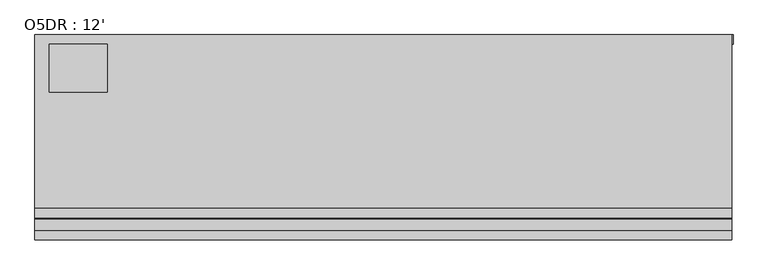
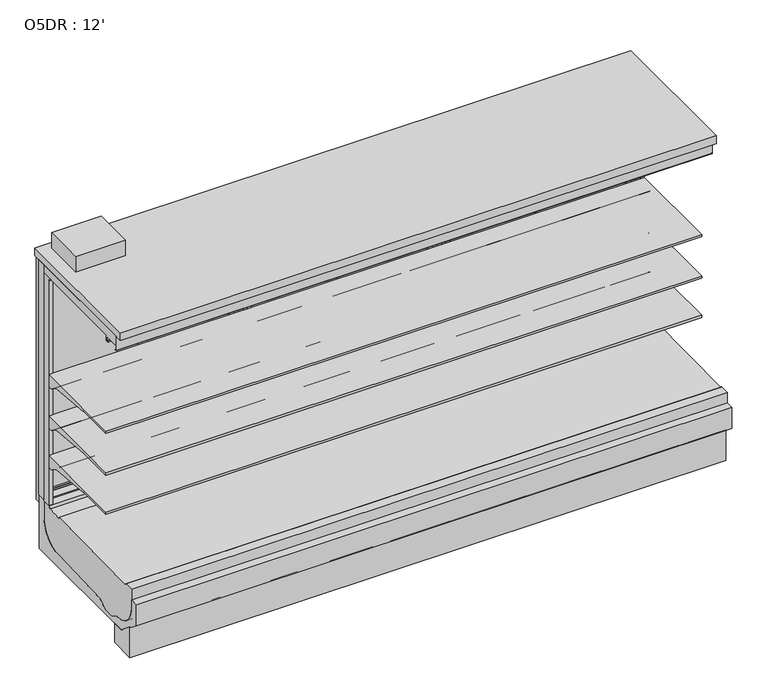
"""IFC4 building model written with IfcOpenShell, lengths in millimetres: proxy geometry, O5DR : 12'."""

from ifc_helpers import new_model, si_unit, point, frame, frame_2d, origin, place, context, project, spatial, polyline, circle_curve, trimmed, segment, composite_curve, outline, extrude, faceted_brep, source, transform, mapped, element, save
from ifc_brep_helpers import plane_surface, cylinder_surface, revolved_surface, advanced_brep


def o5dr_12_2de368f0(model_context):
    return source(origin(), model_context, "Body", "SolidModel", [
        extrude(outline(polyline([(3657.6, -401.5089273), (3657.6, -451.7851762), (3632.2, -451.7851762), (3632.2, -401.5089273), (3657.6, -401.5089273)])), frame((0.0, 0.0, 478.049844), z_axis=(0.0, 0.0, 1.0), x_axis=(1.0, 0.0, 0.0)), (0.0, 0.0, 1.0), 1525.5410642),
        advanced_brep(
        [(3657.6, -451.7851762, 468.8781737), (3657.6, -451.7851762, 1949.6779319), (3657.6, -530.2144075, 1949.6779319), (3657.6, -504.9331995, 1926.7316344), (3657.6, -504.9331995, 468.8781737), (3632.2, -451.7851762, 468.8781737), (3632.2, -504.9331995, 468.8781737), (3632.2, -504.9331995, 1926.7316344), (3632.2, -530.2144075, 1949.6779595), (3632.2, -451.7851762, 1949.6779319)],
        [
            (0, 1),
            (1, 2),
            (2, 3, circle_curve(frame((3657.6, -530.2144075, 1924.2779595), z_axis=(-1.0, 0.0, 0.0), x_axis=(0.0, 1.0, 0.0)), 25.4)),
            (3, 4),
            (4, 0),
            (5, 6),
            (6, 7),
            (7, 8, circle_curve(frame((3632.2, -530.2144075, 1924.2779595), z_axis=(1.0, 0.0, 0.0), x_axis=(0.0, 1.0, 0.0)), 25.4)),
            (8, 9),
            (9, 5),
            (0, 5),
            (9, 1),
            (8, 2),
            (7, 3),
            (6, 4),
        ],
        [
            plane_surface(frame((3657.6, -451.7851762, 1697.7360001), z_axis=(1.0, 0.0, 0.0), x_axis=(0.0, 0.0, 1.0))),
            plane_surface(frame((3632.2, -451.7851762, 1697.7360001), z_axis=(-1.0, 0.0, 0.0), x_axis=(0.0, 0.0, -1.0))),
            plane_surface(frame((3657.6, -451.7851762, 468.8781737), z_axis=(0.0, 1.0, 0.0), x_axis=(-1.0, 0.0, 0.0))),
            plane_surface(frame((3657.6, -451.7851762, 1949.6779319), z_axis=(0.0, 0.0, 1.0), x_axis=(-1.0, 0.0, 0.0))),
            revolved_surface(polyline([(3632.2, -504.8144075, 1924.2779595), (3657.6, -504.8144075, 1924.2779595)]), (3632.2, -530.2144075, 1924.2779595), (-1.0, 0.0, 0.0)),
            plane_surface(frame((3657.6, -504.9331995, 1926.7316344), z_axis=(0.0, -1.0, 0.0), x_axis=(-1.0, 0.0, 0.0))),
            plane_surface(frame((3657.6, -504.9331995, 468.8781737), z_axis=(0.0, 0.0, -1.0), x_axis=(-1.0, 0.0, 0.0))),
        ],
        [
            (0, [[1, 2, 3, 4, 5]]),
            (1, [[6, 7, 8, 9, 10]]),
            (2, [[-1, 11, -10, 12]]),
            (3, [[-2, -12, -9, 13]]),
            (4, [[-3, -13, -8, 14]]),
            (5, [[-4, -14, -7, 15]]),
            (6, [[-5, -15, -6, -11]]),
        ],
    ),
        extrude(outline(polyline([(2463.8, -401.5089273), (2463.8, -451.7851762), (2438.4, -451.7851762), (2438.4, -401.5089273), (2463.8, -401.5089273)])), frame((0.0, 0.0, 478.049844), z_axis=(0.0, 0.0, 1.0), x_axis=(1.0, 0.0, 0.0)), (0.0, 0.0, 1.0), 1525.5410642),
        advanced_brep(
        [(2463.8, -451.7851762, 468.8781737), (2463.8, -451.7851762, 1949.6779319), (2463.8, -530.2144075, 1949.6779319), (2463.8, -504.9331995, 1926.7316344), (2463.8, -504.9331995, 468.8781737), (2438.4, -451.7851762, 468.8781737), (2438.4, -504.9331995, 468.8781737), (2438.4, -504.9331995, 1926.7316344), (2438.4, -530.2144075, 1949.6779595), (2438.4, -451.7851762, 1949.6779319)],
        [
            (0, 1),
            (1, 2),
            (2, 3, circle_curve(frame((2463.8, -530.2144075, 1924.2779595), z_axis=(-1.0, 0.0, 0.0), x_axis=(0.0, 1.0, 0.0)), 25.4)),
            (3, 4),
            (4, 0),
            (5, 6),
            (6, 7),
            (7, 8, circle_curve(frame((2438.4, -530.2144075, 1924.2779595), z_axis=(1.0, 0.0, 0.0), x_axis=(0.0, 1.0, 0.0)), 25.4)),
            (8, 9),
            (9, 5),
            (0, 5),
            (9, 1),
            (8, 2),
            (7, 3),
            (6, 4),
        ],
        [
            plane_surface(frame((2463.8, -451.7851762, 1697.7360001), z_axis=(1.0, 0.0, 0.0), x_axis=(0.0, 0.0, 1.0))),
            plane_surface(frame((2438.4, -451.7851762, 1697.7360001), z_axis=(-1.0, 0.0, 0.0), x_axis=(0.0, 0.0, -1.0))),
            plane_surface(frame((2463.8, -451.7851762, 468.8781737), z_axis=(0.0, 1.0, 0.0), x_axis=(-1.0, 0.0, 0.0))),
            plane_surface(frame((2463.8, -451.7851762, 1949.6779319), z_axis=(0.0, 0.0, 1.0), x_axis=(-1.0, 0.0, 0.0))),
            revolved_surface(polyline([(2438.4, -504.8144075, 1924.2779595), (2463.8, -504.8144075, 1924.2779595)]), (2438.4, -530.2144075, 1924.2779595), (-1.0, 0.0, 0.0)),
            plane_surface(frame((2463.8, -504.9331995, 1926.7316344), z_axis=(0.0, -1.0, 0.0), x_axis=(-1.0, 0.0, 0.0))),
            plane_surface(frame((2463.8, -504.9331995, 468.8781737), z_axis=(0.0, 0.0, -1.0), x_axis=(-1.0, 0.0, 0.0))),
        ],
        [
            (0, [[1, 2, 3, 4, 5]]),
            (1, [[6, 7, 8, 9, 10]]),
            (2, [[-1, 11, -10, 12]]),
            (3, [[-2, -12, -9, 13]]),
            (4, [[-3, -13, -8, 14]]),
            (5, [[-4, -14, -7, 15]]),
            (6, [[-5, -15, -6, -11]]),
        ],
    ),
        faceted_brep([(3602.8493285, -397.299623, 480.0108915), (3602.8493285, -406.3155239, 480.0108915), (3602.8493285, -406.3155239, 1941.0151593), (3602.8493285, -397.299623, 1941.0151593), (3612.13244, -389.8622988, 470.72778), (3612.13244, -397.299623, 470.72778), (3612.13244, -397.299623, 1950.2982708), (3612.13244, -389.8622988, 1950.2982708), (3602.8493285, -379.3369472, 480.0108915), (3602.8493285, -389.8622988, 480.0108915), (3602.8493285, -389.8622988, 1941.0151593), (3602.8493285, -379.3369472, 1941.0151593), (3612.13244, -371.899623, 470.72778), (3612.13244, -379.3369472, 470.72778), (3612.13244, -379.3369472, 1950.2982708), (3612.13244, -371.899623, 1950.2982708), (3602.8493285, -358.5508239, 480.0108915), (3602.8493285, -371.899623, 480.0108915), (3602.8493285, -371.899623, 1941.0151593), (3602.8493285, -358.5508239, 1941.0151593), (3664.6089133, -406.3155239, 418.2513067), (3664.6089133, -358.5508239, 418.2513067), (3664.6089133, -358.5508239, 2002.7747442), (3664.6089133, -406.3155239, 2002.7747442), (2507.1684982, -406.3155239, 1941.0151593), (2507.1684982, -397.299623, 1941.0151593), (2497.8853867, -397.299623, 1950.2982708), (2497.8853867, -389.8622988, 1950.2982708), (2507.1684982, -389.8622988, 1941.0151593), (2507.1684982, -379.3369472, 1941.0151593), (2497.8853867, -379.3369472, 1950.2982708), (2497.8853867, -371.899623, 1950.2982708), (2507.1684982, -371.899623, 1941.0151593), (2507.1684982, -358.5508239, 1941.0151593), (2445.4089133, -358.5508239, 2002.7747442), (2445.4089133, -406.3155239, 2002.7747442), (2507.1684982, -406.3155239, 480.0108915), (2507.1684982, -397.299623, 480.0108915), (2497.8853867, -397.299623, 470.72778), (2497.8853867, -389.8622988, 470.72778), (2507.1684982, -389.8622988, 480.0108915), (2507.1684982, -379.3369472, 480.0108915), (2497.8853867, -379.3369472, 470.72778), (2497.8853867, -371.899623, 470.72778), (2507.1684982, -371.899623, 480.0108915), (2507.1684982, -358.5508239, 480.0108915), (2445.4089133, -358.5508239, 418.2513067), (2445.4089133, -406.3155239, 418.2513067)], [[[0, 1, 2, 3]], [[4, 5, 6, 7]], [[8, 9, 10, 11]], [[12, 13, 14, 15]], [[16, 17, 18, 19]], [[20, 21, 22, 23]], [[3, 2, 24, 25]], [[7, 6, 26, 27]], [[11, 10, 28, 29]], [[15, 14, 30, 31]], [[19, 18, 32, 33]], [[23, 22, 34, 35]], [[25, 24, 36, 37]], [[27, 26, 38, 39]], [[29, 28, 40, 41]], [[31, 30, 42, 43]], [[33, 32, 44, 45]], [[35, 34, 46, 47]], [[23, 35, 47, 20], [1, 36, 24, 2]], [[37, 36, 1, 0]], [[5, 38, 26, 6], [3, 25, 37, 0]], [[39, 38, 5, 4]], [[7, 27, 39, 4], [9, 40, 28, 10]], [[41, 40, 9, 8]], [[13, 42, 30, 14], [11, 29, 41, 8]], [[43, 42, 13, 12]], [[15, 31, 43, 12], [17, 44, 32, 18]], [[45, 44, 17, 16]], [[21, 46, 34, 22], [19, 33, 45, 16]], [[47, 46, 21, 20]]]),
        extrude(outline(polyline([(3611.1898618, -389.8622988), (3611.1898618, -397.299623), (3051.8339133, -397.299623), (3051.8339133, -389.8622988), (3611.1898618, -389.8622988)])), frame((0.0, 0.0, 470.72778), z_axis=(0.0, 0.0, 1.0), x_axis=(1.0, 0.0, 0.0)), (0.0, 0.0, 1.0), 1479.5704908),
        extrude(outline(polyline([(3058.1839133, -371.899623), (3058.1839133, -379.3369472), (2498.8279648, -379.3369472), (2498.8279648, -371.899623), (3058.1839133, -371.899623)])), frame((0.0, 0.0, 470.72778), z_axis=(0.0, 0.0, 1.0), x_axis=(1.0, 0.0, 0.0)), (0.0, 0.0, 1.0), 1479.5704908),
        extrude(outline(polyline([(381.0, -406.3155239), (381.0, -660.3155239), (76.2, -660.3155239), (76.2, -406.3155239), (381.0, -406.3155239)])), frame((0.0, 0.0, 2052.9777313), z_axis=(0.0, 0.0, 1.0), x_axis=(1.0, 0.0, 0.0)), (0.0, 0.0, 1.0), 101.6),
        extrude(outline(polyline([(2438.4, -401.5089273), (2438.4, -451.7851762), (2413.0, -451.7851762), (2413.0, -401.5089273), (2438.4, -401.5089273)])), frame((0.0, 0.0, 478.049844), z_axis=(0.0, 0.0, 1.0), x_axis=(1.0, 0.0, 0.0)), (0.0, 0.0, 1.0), 1525.5410642),
        advanced_brep(
        [(2438.4, -451.7851762, 468.8781737), (2438.4, -451.7851762, 1949.6779319), (2438.4, -530.2144075, 1949.6779319), (2438.4, -504.9331995, 1926.7316344), (2438.4, -504.9331995, 468.8781737), (2413.0, -451.7851762, 468.8781737), (2413.0, -504.9331995, 468.8781737), (2413.0, -504.9331995, 1926.7316344), (2413.0, -530.2144075, 1949.6779595), (2413.0, -451.7851762, 1949.6779319)],
        [
            (0, 1),
            (1, 2),
            (2, 3, circle_curve(frame((2438.4, -530.2144075, 1924.2779595), z_axis=(-1.0, 0.0, 0.0), x_axis=(0.0, 1.0, 0.0)), 25.4)),
            (3, 4),
            (4, 0),
            (5, 6),
            (6, 7),
            (7, 8, circle_curve(frame((2413.0, -530.2144075, 1924.2779595), z_axis=(1.0, 0.0, 0.0), x_axis=(0.0, 1.0, 0.0)), 25.4)),
            (8, 9),
            (9, 5),
            (0, 5),
            (9, 1),
            (8, 2),
            (7, 3),
            (6, 4),
        ],
        [
            plane_surface(frame((2438.4, -451.7851762, 1697.7360001), z_axis=(1.0, 0.0, 0.0), x_axis=(0.0, 0.0, 1.0))),
            plane_surface(frame((2413.0, -451.7851762, 1697.7360001), z_axis=(-1.0, 0.0, 0.0), x_axis=(0.0, 0.0, -1.0))),
            plane_surface(frame((2438.4, -451.7851762, 468.8781737), z_axis=(0.0, 1.0, 0.0), x_axis=(-1.0, 0.0, 0.0))),
            plane_surface(frame((2438.4, -451.7851762, 1949.6779319), z_axis=(0.0, 0.0, 1.0), x_axis=(-1.0, 0.0, 0.0))),
            revolved_surface(polyline([(2413.0, -504.8144075, 1924.2779595), (2438.4, -504.8144075, 1924.2779595)]), (2413.0, -530.2144075, 1924.2779595), (-1.0, 0.0, 0.0)),
            plane_surface(frame((2438.4, -504.9331995, 1926.7316344), z_axis=(0.0, -1.0, 0.0), x_axis=(-1.0, 0.0, 0.0))),
            plane_surface(frame((2438.4, -504.9331995, 468.8781737), z_axis=(0.0, 0.0, -1.0), x_axis=(-1.0, 0.0, 0.0))),
        ],
        [
            (0, [[1, 2, 3, 4, 5]]),
            (1, [[6, 7, 8, 9, 10]]),
            (2, [[-1, 11, -10, 12]]),
            (3, [[-2, -12, -9, 13]]),
            (4, [[-3, -13, -8, 14]]),
            (5, [[-4, -14, -7, 15]]),
            (6, [[-5, -15, -6, -11]]),
        ],
    ),
        extrude(outline(polyline([(1244.6, -401.5089273), (1244.6, -451.7851762), (1219.2, -451.7851762), (1219.2, -401.5089273), (1244.6, -401.5089273)])), frame((0.0, 0.0, 478.049844), z_axis=(0.0, 0.0, 1.0), x_axis=(1.0, 0.0, 0.0)), (0.0, 0.0, 1.0), 1525.5410642),
        advanced_brep(
        [(1244.6, -451.7851762, 468.8781737), (1244.6, -451.7851762, 1949.6779319), (1244.6, -530.2144075, 1949.6779319), (1244.6, -504.9331995, 1926.7316344), (1244.6, -504.9331995, 468.8781737), (1219.2, -451.7851762, 468.8781737), (1219.2, -504.9331995, 468.8781737), (1219.2, -504.9331995, 1926.7316344), (1219.2, -530.2144075, 1949.6779595), (1219.2, -451.7851762, 1949.6779319)],
        [
            (0, 1),
            (1, 2),
            (2, 3, circle_curve(frame((1244.6, -530.2144075, 1924.2779595), z_axis=(-1.0, 0.0, 0.0), x_axis=(0.0, 1.0, 0.0)), 25.4)),
            (3, 4),
            (4, 0),
            (5, 6),
            (6, 7),
            (7, 8, circle_curve(frame((1219.2, -530.2144075, 1924.2779595), z_axis=(1.0, 0.0, 0.0), x_axis=(0.0, 1.0, 0.0)), 25.4)),
            (8, 9),
            (9, 5),
            (0, 5),
            (9, 1),
            (8, 2),
            (7, 3),
            (6, 4),
        ],
        [
            plane_surface(frame((1244.6, -451.7851762, 1697.7360001), z_axis=(1.0, 0.0, 0.0), x_axis=(0.0, 0.0, 1.0))),
            plane_surface(frame((1219.2, -451.7851762, 1697.7360001), z_axis=(-1.0, 0.0, 0.0), x_axis=(0.0, 0.0, -1.0))),
            plane_surface(frame((1244.6, -451.7851762, 468.8781737), z_axis=(0.0, 1.0, 0.0), x_axis=(-1.0, 0.0, 0.0))),
            plane_surface(frame((1244.6, -451.7851762, 1949.6779319), z_axis=(0.0, 0.0, 1.0), x_axis=(-1.0, 0.0, 0.0))),
            revolved_surface(polyline([(1219.2, -504.8144075, 1924.2779595), (1244.6, -504.8144075, 1924.2779595)]), (1219.2, -530.2144075, 1924.2779595), (-1.0, 0.0, 0.0)),
            plane_surface(frame((1244.6, -504.9331995, 1926.7316344), z_axis=(0.0, -1.0, 0.0), x_axis=(-1.0, 0.0, 0.0))),
            plane_surface(frame((1244.6, -504.9331995, 468.8781737), z_axis=(0.0, 0.0, -1.0), x_axis=(-1.0, 0.0, 0.0))),
        ],
        [
            (0, [[1, 2, 3, 4, 5]]),
            (1, [[6, 7, 8, 9, 10]]),
            (2, [[-1, 11, -10, 12]]),
            (3, [[-2, -12, -9, 13]]),
            (4, [[-3, -13, -8, 14]]),
            (5, [[-4, -14, -7, 15]]),
            (6, [[-5, -15, -6, -11]]),
        ],
    ),
        extrude(outline(polyline([(1219.2, -401.5089273), (1219.2, -451.7851762), (1193.8, -451.7851762), (1193.8, -401.5089273), (1219.2, -401.5089273)])), frame((0.0, 0.0, 478.049844), z_axis=(0.0, 0.0, 1.0), x_axis=(1.0, 0.0, 0.0)), (0.0, 0.0, 1.0), 1525.5410642),
        advanced_brep(
        [(1219.2, -451.7851762, 468.8781737), (1219.2, -451.7851762, 1949.6779319), (1219.2, -530.2144075, 1949.6779319), (1219.2, -504.9331995, 1926.7316344), (1219.2, -504.9331995, 468.8781737), (1193.8, -451.7851762, 468.8781737), (1193.8, -504.9331995, 468.8781737), (1193.8, -504.9331995, 1926.7316344), (1193.8, -530.2144075, 1949.6779595), (1193.8, -451.7851762, 1949.6779319)],
        [
            (0, 1),
            (1, 2),
            (2, 3, circle_curve(frame((1219.2, -530.2144075, 1924.2779595), z_axis=(-1.0, 0.0, 0.0), x_axis=(0.0, 1.0, 0.0)), 25.4)),
            (3, 4),
            (4, 0),
            (5, 6),
            (6, 7),
            (7, 8, circle_curve(frame((1193.8, -530.2144075, 1924.2779595), z_axis=(1.0, 0.0, 0.0), x_axis=(0.0, 1.0, 0.0)), 25.4)),
            (8, 9),
            (9, 5),
            (0, 5),
            (9, 1),
            (8, 2),
            (7, 3),
            (6, 4),
        ],
        [
            plane_surface(frame((1219.2, -451.7851762, 1697.7360001), z_axis=(1.0, 0.0, 0.0), x_axis=(0.0, 0.0, 1.0))),
            plane_surface(frame((1193.8, -451.7851762, 1697.7360001), z_axis=(-1.0, 0.0, 0.0), x_axis=(0.0, 0.0, -1.0))),
            plane_surface(frame((1219.2, -451.7851762, 468.8781737), z_axis=(0.0, 1.0, 0.0), x_axis=(-1.0, 0.0, 0.0))),
            plane_surface(frame((1219.2, -451.7851762, 1949.6779319), z_axis=(0.0, 0.0, 1.0), x_axis=(-1.0, 0.0, 0.0))),
            revolved_surface(polyline([(1193.8, -504.8144075, 1924.2779595), (1219.2, -504.8144075, 1924.2779595)]), (1193.8, -530.2144075, 1924.2779595), (-1.0, 0.0, 0.0)),
            plane_surface(frame((1219.2, -504.9331995, 1926.7316344), z_axis=(0.0, -1.0, 0.0), x_axis=(-1.0, 0.0, 0.0))),
            plane_surface(frame((1219.2, -504.9331995, 468.8781737), z_axis=(0.0, 0.0, -1.0), x_axis=(-1.0, 0.0, 0.0))),
        ],
        [
            (0, [[1, 2, 3, 4, 5]]),
            (1, [[6, 7, 8, 9, 10]]),
            (2, [[-1, 11, -10, 12]]),
            (3, [[-2, -12, -9, 13]]),
            (4, [[-3, -13, -8, 14]]),
            (5, [[-4, -14, -7, 15]]),
            (6, [[-5, -15, -6, -11]]),
        ],
    ),
        faceted_brep([(2383.6493285, -397.299623, 480.0108915), (2383.6493285, -406.3155239, 480.0108915), (2383.6493285, -406.3155239, 1941.0151593), (2383.6493285, -397.299623, 1941.0151593), (2392.93244, -389.8622988, 470.72778), (2392.93244, -397.299623, 470.72778), (2392.93244, -397.299623, 1950.2982708), (2392.93244, -389.8622988, 1950.2982708), (2383.6493285, -379.3369472, 480.0108915), (2383.6493285, -389.8622988, 480.0108915), (2383.6493285, -389.8622988, 1941.0151593), (2383.6493285, -379.3369472, 1941.0151593), (2392.93244, -371.899623, 470.72778), (2392.93244, -379.3369472, 470.72778), (2392.93244, -379.3369472, 1950.2982708), (2392.93244, -371.899623, 1950.2982708), (2383.6493285, -358.5508239, 480.0108915), (2383.6493285, -371.899623, 480.0108915), (2383.6493285, -371.899623, 1941.0151593), (2383.6493285, -358.5508239, 1941.0151593), (2445.4089133, -406.3155239, 418.2513067), (2445.4089133, -358.5508239, 418.2513067), (2445.4089133, -358.5508239, 2002.7747442), (2445.4089133, -406.3155239, 2002.7747442), (1287.9684982, -406.3155239, 1941.0151593), (1287.9684982, -397.299623, 1941.0151593), (1278.6853867, -397.299623, 1950.2982708), (1278.6853867, -389.8622988, 1950.2982708), (1287.9684982, -389.8622988, 1941.0151593), (1287.9684982, -379.3369472, 1941.0151593), (1278.6853867, -379.3369472, 1950.2982708), (1278.6853867, -371.899623, 1950.2982708), (1287.9684982, -371.899623, 1941.0151593), (1287.9684982, -358.5508239, 1941.0151593), (1226.2089133, -358.5508239, 2002.7747442), (1226.2089133, -406.3155239, 2002.7747442), (1287.9684982, -406.3155239, 480.0108915), (1287.9684982, -397.299623, 480.0108915), (1278.6853867, -397.299623, 470.72778), (1278.6853867, -389.8622988, 470.72778), (1287.9684982, -389.8622988, 480.0108915), (1287.9684982, -379.3369472, 480.0108915), (1278.6853867, -379.3369472, 470.72778), (1278.6853867, -371.899623, 470.72778), (1287.9684982, -371.899623, 480.0108915), (1287.9684982, -358.5508239, 480.0108915), (1226.2089133, -358.5508239, 418.2513067), (1226.2089133, -406.3155239, 418.2513067)], [[[0, 1, 2, 3]], [[4, 5, 6, 7]], [[8, 9, 10, 11]], [[12, 13, 14, 15]], [[16, 17, 18, 19]], [[20, 21, 22, 23]], [[3, 2, 24, 25]], [[7, 6, 26, 27]], [[11, 10, 28, 29]], [[15, 14, 30, 31]], [[19, 18, 32, 33]], [[23, 22, 34, 35]], [[25, 24, 36, 37]], [[27, 26, 38, 39]], [[29, 28, 40, 41]], [[31, 30, 42, 43]], [[33, 32, 44, 45]], [[35, 34, 46, 47]], [[23, 35, 47, 20], [1, 36, 24, 2]], [[37, 36, 1, 0]], [[5, 38, 26, 6], [3, 25, 37, 0]], [[39, 38, 5, 4]], [[7, 27, 39, 4], [9, 40, 28, 10]], [[41, 40, 9, 8]], [[13, 42, 30, 14], [11, 29, 41, 8]], [[43, 42, 13, 12]], [[15, 31, 43, 12], [17, 44, 32, 18]], [[45, 44, 17, 16]], [[21, 46, 34, 22], [19, 33, 45, 16]], [[47, 46, 21, 20]]]),
        extrude(outline(polyline([(2391.9898618, -389.8622988), (2391.9898618, -397.299623), (1832.6339133, -397.299623), (1832.6339133, -389.8622988), (2391.9898618, -389.8622988)])), frame((0.0, 0.0, 470.72778), z_axis=(0.0, 0.0, 1.0), x_axis=(1.0, 0.0, 0.0)), (0.0, 0.0, 1.0), 1479.5704908),
        extrude(outline(polyline([(1838.9839133, -371.899623), (1838.9839133, -379.3369472), (1279.6279648, -379.3369472), (1279.6279648, -371.899623), (1838.9839133, -371.899623)])), frame((0.0, 0.0, 470.72778), z_axis=(0.0, 0.0, 1.0), x_axis=(1.0, 0.0, 0.0)), (0.0, 0.0, 1.0), 1479.5704908),
        faceted_brep([(1164.4493285, -397.299623, 480.0108915), (1164.4493285, -406.3155239, 480.0108915), (1164.4493285, -406.3155239, 1941.0151593), (1164.4493285, -397.299623, 1941.0151593), (1173.73244, -389.8622988, 470.72778), (1173.73244, -397.299623, 470.72778), (1173.73244, -397.299623, 1950.2982708), (1173.73244, -389.8622988, 1950.2982708), (1164.4493285, -379.3369472, 480.0108915), (1164.4493285, -389.8622988, 480.0108915), (1164.4493285, -389.8622988, 1941.0151593), (1164.4493285, -379.3369472, 1941.0151593), (1173.73244, -371.899623, 470.72778), (1173.73244, -379.3369472, 470.72778), (1173.73244, -379.3369472, 1950.2982708), (1173.73244, -371.899623, 1950.2982708), (1164.4493285, -358.5508239, 480.0108915), (1164.4493285, -371.899623, 480.0108915), (1164.4493285, -371.899623, 1941.0151593), (1164.4493285, -358.5508239, 1941.0151593), (1226.2089133, -406.3155239, 418.2513067), (1226.2089133, -358.5508239, 418.2513067), (1226.2089133, -358.5508239, 2002.7747442), (1226.2089133, -406.3155239, 2002.7747442), (68.7684982, -406.3155239, 1941.0151593), (68.7684982, -397.299623, 1941.0151593), (59.4853867, -397.299623, 1950.2982708), (59.4853867, -389.8622988, 1950.2982708), (68.7684982, -389.8622988, 1941.0151593), (68.7684982, -379.3369472, 1941.0151593), (59.4853867, -379.3369472, 1950.2982708), (59.4853867, -371.899623, 1950.2982708), (68.7684982, -371.899623, 1941.0151593), (68.7684982, -358.5508239, 1941.0151593), (7.0089133, -358.5508239, 2002.7747442), (7.0089133, -406.3155239, 2002.7747442), (68.7684982, -406.3155239, 480.0108915), (68.7684982, -397.299623, 480.0108915), (59.4853867, -397.299623, 470.72778), (59.4853867, -389.8622988, 470.72778), (68.7684982, -389.8622988, 480.0108915), (68.7684982, -379.3369472, 480.0108915), (59.4853867, -379.3369472, 470.72778), (59.4853867, -371.899623, 470.72778), (68.7684982, -371.899623, 480.0108915), (68.7684982, -358.5508239, 480.0108915), (7.0089133, -358.5508239, 418.2513067), (7.0089133, -406.3155239, 418.2513067)], [[[0, 1, 2, 3]], [[4, 5, 6, 7]], [[8, 9, 10, 11]], [[12, 13, 14, 15]], [[16, 17, 18, 19]], [[20, 21, 22, 23]], [[3, 2, 24, 25]], [[7, 6, 26, 27]], [[11, 10, 28, 29]], [[15, 14, 30, 31]], [[19, 18, 32, 33]], [[23, 22, 34, 35]], [[25, 24, 36, 37]], [[27, 26, 38, 39]], [[29, 28, 40, 41]], [[31, 30, 42, 43]], [[33, 32, 44, 45]], [[35, 34, 46, 47]], [[23, 35, 47, 20], [1, 36, 24, 2]], [[37, 36, 1, 0]], [[5, 38, 26, 6], [3, 25, 37, 0]], [[39, 38, 5, 4]], [[7, 27, 39, 4], [9, 40, 28, 10]], [[41, 40, 9, 8]], [[13, 42, 30, 14], [11, 29, 41, 8]], [[43, 42, 13, 12]], [[15, 31, 43, 12], [17, 44, 32, 18]], [[45, 44, 17, 16]], [[21, 46, 34, 22], [19, 33, 45, 16]], [[47, 46, 21, 20]]]),
        extrude(outline(polyline([(1172.7898618, -389.8622988), (1172.7898618, -397.299623), (613.4339133, -397.299623), (613.4339133, -389.8622988), (1172.7898618, -389.8622988)])), frame((0.0, 0.0, 470.72778), z_axis=(0.0, 0.0, 1.0), x_axis=(1.0, 0.0, 0.0)), (0.0, 0.0, 1.0), 1479.5704908),
        extrude(outline(polyline([(619.7839133, -371.899623), (619.7839133, -379.3369472), (60.4279648, -379.3369472), (60.4279648, -371.899623), (619.7839133, -371.899623)])), frame((0.0, 0.0, 470.72778), z_axis=(0.0, 0.0, 1.0), x_axis=(1.0, 0.0, 0.0)), (0.0, 0.0, 1.0), 1479.5704908),
        extrude(outline(polyline([(25.4, -401.5089273), (25.4, -451.7851762), (0.0, -451.7851762), (0.0, -401.5089273), (25.4, -401.5089273)])), frame((0.0, 0.0, 478.049844), z_axis=(0.0, 0.0, 1.0), x_axis=(1.0, 0.0, 0.0)), (0.0, 0.0, 1.0), 1525.5410642),
        advanced_brep(
        [(25.4, -451.7851762, 468.8781737), (25.4, -451.7851762, 1949.6779319), (25.4, -530.2144075, 1949.6779319), (25.4, -504.9331995, 1926.7316344), (25.4, -504.9331995, 468.8781737), (0.0, -451.7851762, 468.8781737), (0.0, -504.9331995, 468.8781737), (0.0, -504.9331995, 1926.7316344), (0.0, -530.2144075, 1949.6779595), (0.0, -451.7851762, 1949.6779319)],
        [
            (0, 1),
            (1, 2),
            (2, 3, circle_curve(frame((25.4, -530.2144075, 1924.2779595), z_axis=(-1.0, 0.0, 0.0), x_axis=(0.0, 1.0, 0.0)), 25.4)),
            (3, 4),
            (4, 0),
            (5, 6),
            (6, 7),
            (7, 8, circle_curve(frame((0.0, -530.2144075, 1924.2779595), z_axis=(1.0, 0.0, 0.0), x_axis=(0.0, 1.0, 0.0)), 25.4)),
            (8, 9),
            (9, 5),
            (0, 5),
            (9, 1),
            (8, 2),
            (7, 3),
            (6, 4),
        ],
        [
            plane_surface(frame((25.4, -451.7851762, 1697.7360001), z_axis=(1.0, 0.0, 0.0), x_axis=(0.0, 0.0, 1.0))),
            plane_surface(frame((0.0, -451.7851762, 1697.7360001), z_axis=(-1.0, 0.0, 0.0), x_axis=(0.0, 0.0, -1.0))),
            plane_surface(frame((25.4, -451.7851762, 468.8781737), z_axis=(0.0, 1.0, 0.0), x_axis=(-1.0, 0.0, 0.0))),
            plane_surface(frame((25.4, -451.7851762, 1949.6779319), z_axis=(0.0, 0.0, 1.0), x_axis=(-1.0, 0.0, 0.0))),
            revolved_surface(polyline([(0.0, -504.8144075, 1924.2779595), (25.4, -504.8144075, 1924.2779595)]), (0.0, -530.2144075, 1924.2779595), (-1.0, 0.0, 0.0)),
            plane_surface(frame((25.4, -504.9331995, 1926.7316344), z_axis=(0.0, -1.0, 0.0), x_axis=(-1.0, 0.0, 0.0))),
            plane_surface(frame((25.4, -504.9331995, 468.8781737), z_axis=(0.0, 0.0, -1.0), x_axis=(-1.0, 0.0, 0.0))),
        ],
        [
            (0, [[1, 2, 3, 4, 5]]),
            (1, [[6, 7, 8, 9, 10]]),
            (2, [[-1, 11, -10, 12]]),
            (3, [[-2, -12, -9, 13]]),
            (4, [[-3, -13, -8, 14]]),
            (5, [[-4, -14, -7, 15]]),
            (6, [[-5, -15, -6, -11]]),
        ],
    ),
        extrude(outline(composite_curve([segment(polyline([(-504.9331995, 794.189381), (-504.9331995, 719.0883547), (-528.313746, 719.0883547)]), True, "CONTINUOUS"), segment(trimmed(circle_curve(frame_2d((-528.7455821, 744.4846835)), 25.4), [point((-528.313746, 719.0883547))], [point((-544.7229383, 724.7392008))], False, "CARTESIAN"), True, "CONTINUOUS"), segment(polyline([(-544.7229383, 724.7392008), (-562.5749995, 739.1844663)]), True, "CONTINUOUS"), segment(trimmed(circle_curve(frame_2d((-602.5183901, 689.8207596)), 63.5), [point((-562.5749995, 739.1844663))], [point((-594.6205089, 752.8276915))], True, "CARTESIAN"), True, "CONTINUOUS"), segment(polyline([(-594.6205089, 752.8276915), (-872.3592482, 776.5248289), (-873.8480247, 779.965381), (-1114.5331995, 779.965381), (-1114.5331995, 794.189381), (-504.9331995, 794.189381)]), True, "CONTINUOUS")], self_intersect=False)), frame((0.0, 0.0, 0.0), z_axis=(1.0, 0.0, 0.0), x_axis=(0.0, 1.0, 0.0)), (0.0, 0.0, 1.0), 3657.6),
        extrude(outline(composite_curve([segment(polyline([(-504.9331995, 1049.544493), (-504.9331995, 974.4434667), (-528.313746, 974.4434667)]), True, "CONTINUOUS"), segment(trimmed(circle_curve(frame_2d((-528.7455821, 999.8397955)), 25.4), [point((-528.313746, 974.4434667))], [point((-544.7229383, 980.0943128))], False, "CARTESIAN"), True, "CONTINUOUS"), segment(polyline([(-544.7229383, 980.0943128), (-562.5749995, 994.5395783)]), True, "CONTINUOUS"), segment(trimmed(circle_curve(frame_2d((-602.5183901, 945.1758716)), 63.5), [point((-562.5749995, 994.5395783))], [point((-594.6205089, 1008.1828035))], True, "CARTESIAN"), True, "CONTINUOUS"), segment(polyline([(-594.6205089, 1008.1828035), (-872.3592482, 1031.8799409), (-873.8480247, 1035.320493), (-1114.5331995, 1035.320493), (-1114.5331995, 1049.544493), (-504.9331995, 1049.544493)]), True, "CONTINUOUS")], self_intersect=False)), frame((0.0, 0.0, 0.0), z_axis=(1.0, 0.0, 0.0), x_axis=(0.0, 1.0, 0.0)), (0.0, 0.0, 1.0), 3657.6),
        extrude(outline(composite_curve([segment(polyline([(-504.9331995, 1319.5585779), (-504.9331995, 1244.4575515), (-528.313746, 1244.4575515)]), True, "CONTINUOUS"), segment(trimmed(circle_curve(frame_2d((-528.7455821, 1269.8538803)), 25.4), [point((-528.313746, 1244.4575515))], [point((-544.7229383, 1250.1083976))], False, "CARTESIAN"), True, "CONTINUOUS"), segment(polyline([(-544.7229383, 1250.1083976), (-562.5749995, 1264.5536632)]), True, "CONTINUOUS"), segment(trimmed(circle_curve(frame_2d((-602.5183901, 1215.1899564)), 63.5), [point((-562.5749995, 1264.5536632))], [point((-594.6205089, 1278.1968884))], True, "CARTESIAN"), True, "CONTINUOUS"), segment(polyline([(-594.6205089, 1278.1968884), (-872.3592482, 1301.8940258), (-873.8480247, 1305.3345779), (-1114.5331995, 1305.3345779), (-1114.5331995, 1319.5585779), (-504.9331995, 1319.5585779)]), True, "CONTINUOUS")], self_intersect=False)), frame((0.0, 0.0, 0.0), z_axis=(1.0, 0.0, 0.0), x_axis=(0.0, 1.0, 0.0)), (0.0, 0.0, 1.0), 3657.6),
        extrude(outline(composite_curve([segment(trimmed(circle_curve(frame_2d((3455.3657013, -973.0089273)), 12.7), [point((3442.6657013, -973.0089273))], [point((3468.0657013, -973.0089273))], False, "CARTESIAN"), True, "CONTINUOUS"), segment(trimmed(circle_curve(frame_2d((3455.3657013, -973.0089273)), 12.7), [point((3468.0657013, -973.0089273))], [point((3442.6657013, -973.0089273))], False, "CARTESIAN"), True, "CONTINUOUS")], self_intersect=False)), frame((0.0, 0.0, 66.7090149), z_axis=(0.0, 0.0, 1.0), x_axis=(1.0, 0.0, 0.0)), (0.0, 0.0, 1.0), 63.4659851),
        extrude(outline(composite_curve([segment(trimmed(circle_curve(frame_2d((3409.5167543, -973.0089273)), 9.525), [point((3399.9917543, -973.0089273))], [point((3419.0417543, -973.0089273))], False, "CARTESIAN"), True, "CONTINUOUS"), segment(trimmed(circle_curve(frame_2d((3409.5167543, -973.0089273)), 9.525), [point((3419.0417543, -973.0089273))], [point((3399.9917543, -973.0089273))], False, "CARTESIAN"), True, "CONTINUOUS")], self_intersect=False)), frame((0.0, 0.0, 66.7090149), z_axis=(0.0, 0.0, 1.0), x_axis=(1.0, 0.0, 0.0)), (0.0, 0.0, 1.0), 63.4659851),
        extrude(outline(polyline([(711.2, -1351.5977782), (403.225, -1351.5977782), (403.225, -1254.3931624), (711.2, -1254.3931624), (711.2, -1351.5977782)])), frame((0.0, 0.0, 53.2186364), z_axis=(0.0, 0.0, 1.0), x_axis=(1.0, 0.0, 0.0)), (0.0, 0.0, 1.0), 9.8914),
        faceted_brep([(3657.6, -1207.9589273, 130.175), (3657.6, -1278.2580824, 130.175), (3657.6, -1369.8839273, 204.1509267), (3657.6, -1369.8839273, 5.6773468), (3657.6, -1207.9589273, 5.6773468), (0.0, -1207.9589273, 130.175), (0.0, -1207.9589273, 5.6773468), (0.0, -1369.8839273, 5.6773468), (0.0, -1369.8839273, 204.1509267), (0.0, -1278.2580824, 130.175), (711.2, -1351.5977782, 5.6773468), (711.2, -1254.3931624, 5.6773468), (403.225, -1254.3931624, 5.6773468), (403.225, -1351.5977782, 5.6773468), (711.2, -1351.5977782, 63.1100364), (403.225, -1351.5977782, 63.1100364), (403.225, -1254.3931624, 63.1100364), (711.2, -1254.3931624, 63.1100364)], [[[0, 1, 2, 3, 4]], [[5, 6, 7, 8, 9]], [[1, 0, 5, 9]], [[2, 1, 9, 8]], [[3, 2, 8, 7]], [[4, 3, 7, 6], [10, 11, 12, 13]], [[0, 4, 6, 5]], [[14, 15, 16, 17]], [[14, 17, 11, 10]], [[17, 16, 12, 11]], [[16, 15, 13, 12]], [[15, 14, 10, 13]]]),
        extrude(outline(composite_curve([segment(trimmed(circle_curve(frame_2d((339.6243296, 3578.0090336)), 12.7), [point((339.6243296, 3590.7090336))], [point((339.6243296, 3565.3090336))], False, "CARTESIAN"), True, "CONTINUOUS"), segment(trimmed(circle_curve(frame_2d((339.6243296, 3578.0090336)), 12.7), [point((339.6243296, 3565.3090336))], [point((339.6243296, 3590.7090336))], False, "CARTESIAN"), True, "CONTINUOUS")], self_intersect=False)), frame((0.0, -447.5561252, 0.0), z_axis=(0.0, 1.0, 0.0), x_axis=(0.0, 0.0, 1.0)), (0.0, 0.0, 1.0), 52.3971979),
        extrude(outline(composite_curve([segment(trimmed(circle_curve(frame_2d((339.6243296, 3539.5972115)), 9.525), [point((339.6243296, 3549.1222115))], [point((339.6243296, 3530.0722115))], False, "CARTESIAN"), True, "CONTINUOUS"), segment(trimmed(circle_curve(frame_2d((339.6243296, 3539.5972115)), 9.525), [point((339.6243296, 3530.0722115))], [point((339.6243296, 3549.1222115))], False, "CARTESIAN"), True, "CONTINUOUS")], self_intersect=False)), frame((0.0, -447.5561252, 0.0), z_axis=(0.0, 1.0, 0.0), x_axis=(0.0, 0.0, 1.0)), (0.0, 0.0, 1.0), 52.3971979),
        extrude(outline(composite_curve([segment(polyline([(-456.5917727, 2002.7747442), (-456.5917727, 1948.8292386), (-1119.7811387, 1948.8292386), (-1119.7811387, 1913.3731358)]), True, "CONTINUOUS"), segment(trimmed(circle_curve(frame_2d((-1122.0034296, 1913.3731358)), 2.2222909), [point((-1119.7811387, 1913.3731358))], [point((-1122.0034296, 1911.1508449))], False, "CARTESIAN"), True, "CONTINUOUS"), segment(polyline([(-1122.0034296, 1911.1508449), (-1131.4677609, 1911.1508449)]), True, "CONTINUOUS"), segment(trimmed(circle_curve(frame_2d((-1131.4677609, 1911.4683449)), 0.3175), [point((-1131.4677609, 1911.1508449))], [point((-1131.4677609, 1911.7858449))], False, "CARTESIAN"), True, "CONTINUOUS"), segment(polyline([(-1131.4677609, 1911.7858449), (-1122.0036387, 1911.7858449)]), True, "CONTINUOUS"), segment(trimmed(circle_curve(frame_2d((-1122.0036387, 1913.3733449)), 1.5875), [point((-1122.0036387, 1911.7858449))], [point((-1120.4161387, 1913.3733449))], True, "CARTESIAN"), True, "CONTINUOUS"), segment(polyline([(-1120.4161387, 1913.3733449), (-1120.4161387, 1941.6000912), (-1225.0064121, 1941.6000912), (-1225.0064121, 1913.3733449)]), True, "CONTINUOUS"), segment(trimmed(circle_curve(frame_2d((-1223.4189121, 1913.3733449)), 1.5875), [point((-1225.0064121, 1913.3733449))], [point((-1223.4189121, 1911.7858449))], True, "CARTESIAN"), True, "CONTINUOUS"), segment(polyline([(-1223.4189121, 1911.7858449), (-1214.8025064, 1911.7858449)]), True, "CONTINUOUS"), segment(trimmed(circle_curve(frame_2d((-1214.8025064, 1911.4683449)), 0.3175), [point((-1214.8025064, 1911.7858449))], [point((-1214.8025064, 1911.1508449))], False, "CARTESIAN"), True, "CONTINUOUS"), segment(polyline([(-1214.8025064, 1911.1508449), (-1223.4191212, 1911.1508449)]), True, "CONTINUOUS"), segment(trimmed(circle_curve(frame_2d((-1223.4191212, 1913.3731358)), 2.2222909), [point((-1223.4191212, 1911.1508449))], [point((-1225.6330033, 1913.5662752))], False, "CARTESIAN"), True, "CONTINUOUS"), segment(polyline([(-1225.6330033, 1913.5662752), (-1225.6330033, 2002.7747442), (-456.5917727, 2002.7747442)]), True, "CONTINUOUS")], self_intersect=False)), frame((0.0, 0.0, 0.0), z_axis=(1.0, 0.0, 0.0), x_axis=(0.0, 1.0, 0.0)), (0.0, 0.0, 1.0), 3657.6),
        advanced_brep(
        [(3657.6, -406.3155239, 129.3263067), (3657.6, -406.3155239, 477.2011507), (3657.6, -456.5917727, 477.2011507), (3657.6, -456.5917727, 363.1208317), (3657.6, -604.3080894, 210.8136697), (3657.6, -1051.574717, 194.8292279), (3657.6, -1104.6866203, 156.2471907), (3657.6, -1171.5026272, 156.2471907), (3657.6, -1229.5472134, 188.423363), (3657.6, -1387.2659837, 340.730522), (3657.6, -1387.2659837, 390.3938567), (3657.6, -1436.7705839, 390.3938567), (3657.6, -1436.7705839, 253.42379), (3657.6, -1283.0646789, 129.3263067), (0.0, -406.3155239, 129.3263067), (0.0, -1283.0646789, 129.3263067), (0.0, -1436.7705839, 253.42379), (0.0, -1436.7705839, 390.3938567), (0.0, -1387.2659837, 390.3938567), (0.0, -1387.2659837, 340.730522), (0.0, -1229.5472134, 188.423363), (0.0, -1171.5026272, 156.2471907), (0.0, -1104.6866203, 156.2471907), (0.0, -1051.574717, 194.8292279), (0.0, -604.3080894, 210.8136697), (0.0, -456.5917727, 363.1208317), (0.0, -456.5917727, 477.2011507), (0.0, -406.3155239, 477.2011507), (3556.0, -406.3155239, 286.4888067), (3556.0, -406.3155239, 388.0888067), (3556.0, -452.3627217, 286.4888067), (3556.0, -452.3627217, 388.0888067)],
        [
            (0, 1),
            (1, 2),
            (2, 3),
            (3, 4, circle_curve(frame((3657.6, -609.8198241, 363.944775), z_axis=(-1.0, 0.0, 0.0), x_axis=(0.0, 1.0, 0.0)), 153.2302667)),
            (4, 5),
            (5, 6),
            (6, 7),
            (7, 8),
            (8, 9, circle_curve(frame((3657.6, -1234.8659837, 340.730522), z_axis=(-1.0, 0.0, 0.0), x_axis=(0.0, 1.0, 0.0)), 152.4)),
            (9, 10),
            (10, 11),
            (11, 12),
            (12, 13),
            (13, 0),
            (14, 15),
            (15, 16),
            (16, 17),
            (17, 18),
            (18, 19),
            (19, 20, circle_curve(frame((0.0, -1234.8659837, 340.730522), z_axis=(1.0, 0.0, 0.0), x_axis=(0.0, 1.0, 0.0)), 152.4)),
            (20, 21),
            (21, 22),
            (22, 23),
            (23, 24),
            (24, 25, circle_curve(frame((0.0, -609.8198241, 363.944775), z_axis=(1.0, 0.0, 0.0), x_axis=(0.0, 1.0, 0.0)), 153.2302667)),
            (25, 26),
            (26, 27),
            (27, 14),
            (0, 14),
            (27, 1),
            (28, 29, circle_curve(frame((3556.0, -406.3155239, 337.2888067), z_axis=(0.0, -1.0, 0.0), x_axis=(0.0, 0.0, 1.0)), 50.8)),
            (29, 28, circle_curve(frame((3556.0, -406.3155239, 337.2888067), z_axis=(0.0, -1.0, 0.0), x_axis=(0.0, 0.0, 1.0)), 50.8)),
            (2, 26),
            (25, 3),
            (30, 31, circle_curve(frame((3556.0, -452.3627217, 337.2888067), z_axis=(0.0, 1.0, 0.0), x_axis=(0.0, 0.0, 1.0)), 50.8)),
            (31, 30, circle_curve(frame((3556.0, -452.3627217, 337.2888067), z_axis=(0.0, 1.0, 0.0), x_axis=(0.0, 0.0, 1.0)), 50.8)),
            (31, 29),
            (28, 30),
            (24, 4),
            (23, 5),
            (22, 6),
            (21, 7),
            (20, 8),
            (19, 9),
            (18, 10),
            (17, 11),
            (16, 12),
            (15, 13),
        ],
        [
            plane_surface(frame((3657.6, -406.3155239, 1892.7228651), z_axis=(1.0, 0.0, 0.0), x_axis=(0.0, 0.0, 1.0))),
            plane_surface(frame((0.0, -406.3155239, 1892.7228651), z_axis=(-1.0, 0.0, 0.0), x_axis=(0.0, 0.0, -1.0))),
            plane_surface(frame((3657.6, -406.3155239, 129.3263067), z_axis=(0.0, 1.0, 0.0), x_axis=(-1.0, 0.0, 0.0))),
            plane_surface(frame((3657.6, -456.5917727, 477.2011507), z_axis=(0.0, -1.0, 0.0), x_axis=(-1.0, 0.0, 0.0))),
            plane_surface(frame((3556.0, -452.3627217, 388.0888067), z_axis=(0.0, 1.0, 0.0), x_axis=(-1.0, 0.0, 0.0))),
            revolved_surface(polyline([(3556.0, -452.3627217, 388.0888067), (3556.0, -406.3155239, 388.0888067)]), (3556.0, -406.3155239, 337.2888067), (0.0, -1.0, 0.0)),
            plane_surface(frame((3657.6, -406.3155239, 477.2011507), z_axis=(0.0, 0.0, 1.0), x_axis=(-1.0, 0.0, 0.0))),
            revolved_surface(polyline([(0.0, -456.5895574, 363.944775), (3657.6, -456.5895574, 363.944775)]), (0.0, -609.8198241, 363.944775), (-1.0, 0.0, 0.0)),
            plane_surface(frame((3657.6, -604.3080894, 210.8136697), z_axis=(0.0, -0.03571525977164973, 0.9993620065919274), x_axis=(-1.0, 0.0, 0.0))),
            plane_surface(frame((3657.6, -1051.574717, 194.8292279), z_axis=(0.0, -0.5877252382160973, 0.8090605937529227), x_axis=(-1.0, 0.0, 0.0))),
            plane_surface(frame((3657.6, -1104.6866203, 156.2471907), z_axis=(0.0, 0.0, 1.0), x_axis=(-1.0, 0.0, 0.0))),
            plane_surface(frame((3657.6, -1171.5026272, 156.2471907), z_axis=(0.0, 0.4848272875912661, 0.8746099137369162), x_axis=(-1.0, 0.0, 0.0))),
            revolved_surface(polyline([(0.0, -1082.4659837, 340.730522), (3657.6, -1082.4659837, 340.730522)]), (0.0, -1234.8659837, 340.730522), (-1.0, 0.0, 0.0)),
            plane_surface(frame((3657.6, -1387.2659837, 340.730522), z_axis=(0.0, 1.0, 0.0), x_axis=(-1.0, 0.0, 0.0))),
            plane_surface(frame((3657.6, -1387.2659837, 390.3938567), z_axis=(0.0, 0.0, 1.0), x_axis=(-1.0, 0.0, 0.0))),
            plane_surface(frame((3657.6, -1436.7705839, 390.3938567), z_axis=(0.0, -1.0, 0.0), x_axis=(-1.0, 0.0, 0.0))),
            plane_surface(frame((3657.6, -1436.7705839, 253.42379), z_axis=(0.0, -0.6281851642637526, -0.7780638787393502), x_axis=(-1.0, 0.0, 0.0))),
            plane_surface(frame((3657.6, -1283.0646789, 129.3263067), z_axis=(0.0, 0.0, -1.0), x_axis=(-1.0, 0.0, 0.0))),
        ],
        [
            (0, [[1, 2, 3, 4, 5, 6, 7, 8, 9, 10, 11, 12, 13, 14]]),
            (1, [[15, 16, 17, 18, 19, 20, 21, 22, 23, 24, 25, 26, 27, 28]]),
            (2, [[-1, 29, -28, 30], [31, 32]]),
            (3, [[-3, 33, -26, 34]]),
            (4, [[35, 36]]),
            (5, [[-36, 37, -31, 38]]),
            (5, [[-35, -38, -32, -37]]),
            (6, [[-2, -30, -27, -33]]),
            (7, [[-4, -34, -25, 39]]),
            (8, [[-5, -39, -24, 40]]),
            (9, [[-6, -40, -23, 41]]),
            (10, [[-7, -41, -22, 42]]),
            (11, [[-8, -42, -21, 43]]),
            (12, [[-9, -43, -20, 44]]),
            (13, [[-10, -44, -19, 45]]),
            (14, [[-11, -45, -18, 46]]),
            (15, [[-12, -46, -17, 47]]),
            (16, [[-13, -47, -16, 48]]),
            (17, [[-14, -48, -15, -29]]),
        ],
    ),
        faceted_brep([(3657.6, -358.5508239, 2052.9777313), (3657.6, -1268.1354389, 2052.9777313), (3657.6, -1268.1354389, 2002.7747442), (3657.6, -358.5508239, 2002.7747442), (0.0, -358.5508239, 2052.9777313), (0.0, -358.5508239, 2002.7747442), (0.0, -1268.1354389, 2002.7747442), (0.0, -1268.1354389, 2052.9777313)], [[[0, 1, 2, 3]], [[4, 5, 6, 7]], [[1, 0, 4, 7]], [[2, 1, 7, 6]], [[0, 3, 5, 4]], [[3, 2, 6, 5]]]),
        advanced_brep(
        [(3657.6, -1229.5472134, 188.423363), (3657.6, -1171.5026272, 156.2471907), (3657.6, -1104.6866203, 156.2471907), (3657.6, -1051.574717, 194.8292279), (3657.6, -604.3080894, 210.8136697), (3657.6, -456.5917727, 363.1208317), (3657.6, -456.5917727, 468.0294803), (3657.6, -509.760993, 468.0294803), (3657.6, -521.4464024, 457.1028877), (3657.6, -616.3892312, 450.4506329), (3657.6, -616.3892312, 458.7061734), (3657.6, -1322.5397961, 446.4354505), (3657.6, -1322.5397961, 451.0210212), (3657.6, -1329.2541027, 458.8528257), (3657.6, -1387.2659837, 458.8528257), (3657.6, -1387.2659837, 340.730522), (0.0, -1229.5472134, 188.423363), (0.0, -1387.2659837, 340.730522), (0.0, -1387.2659837, 458.8528257), (0.0, -1329.2541027, 458.8528257), (0.0, -1322.5397961, 451.0210212), (0.0, -1322.5397961, 446.4354505), (0.0, -616.3892312, 458.7061734), (0.0, -616.3892312, 450.4506329), (0.0, -521.4350969, 457.0904728), (0.0, -509.760993, 468.0294803), (0.0, -456.5917727, 468.0294803), (0.0, -456.5917727, 363.1208317), (0.0, -604.3080894, 210.8136697), (0.0, -1051.574717, 194.8292279), (0.0, -1104.6866203, 156.2471907), (0.0, -1171.5026272, 156.2471907)],
        [
            (0, 1),
            (1, 2),
            (2, 3),
            (3, 4),
            (4, 5, circle_curve(frame((3657.6, -609.8198241, 363.944775), z_axis=(1.0, 0.0, 0.0), x_axis=(0.0, 1.0, 0.0)), 153.2302667)),
            (5, 6),
            (6, 7),
            (7, 8, circle_curve(frame((3657.6, -522.3315632, 469.7612781), z_axis=(-1.0, 0.0, 0.0), x_axis=(0.0, 1.0, 0.0)), 12.689301)),
            (8, 9),
            (9, 10),
            (10, 11),
            (11, 12),
            (12, 13, circle_curve(frame((3657.6, -1330.4645961, 451.0210212), z_axis=(1.0, 0.0, 0.0), x_axis=(0.0, 1.0, 0.0)), 7.9248)),
            (13, 14),
            (14, 15),
            (15, 0, circle_curve(frame((3657.6, -1234.8659837, 340.730522), z_axis=(1.0, 0.0, 0.0), x_axis=(0.0, 1.0, 0.0)), 152.4)),
            (16, 17, circle_curve(frame((0.0, -1234.8659837, 340.730522), z_axis=(-1.0, 0.0, 0.0), x_axis=(0.0, 1.0, 0.0)), 152.4)),
            (17, 18),
            (18, 19),
            (19, 20, circle_curve(frame((0.0, -1330.4645961, 451.0210212), z_axis=(-1.0, 0.0, 0.0), x_axis=(0.0, 1.0, 0.0)), 7.9248)),
            (20, 21),
            (21, 22),
            (22, 23),
            (23, 24),
            (24, 25, circle_curve(frame((0.0, -522.3315632, 469.7612781), z_axis=(1.0, 0.0, 0.0), x_axis=(0.0, 1.0, 0.0)), 12.689301)),
            (25, 26),
            (26, 27),
            (27, 28, circle_curve(frame((0.0, -609.8198241, 363.944775), z_axis=(-1.0, 0.0, 0.0), x_axis=(0.0, 1.0, 0.0)), 153.2302667)),
            (28, 29),
            (29, 30),
            (30, 31),
            (31, 16),
            (14, 18),
            (17, 15),
            (16, 0),
            (31, 1),
            (30, 2),
            (29, 3),
            (28, 4),
            (27, 5),
            (26, 6),
            (7, 25),
            (24, 8),
            (23, 9),
            (22, 10),
            (21, 11),
            (13, 19),
            (20, 12),
        ],
        [
            plane_surface(frame((3657.6, -1229.5472134, 188.423363), z_axis=(1.0, 0.0, 0.0), x_axis=(0.0, 0.874609913736888, -0.48482728759131677))),
            plane_surface(frame((0.0, -1229.5472134, 188.423363), z_axis=(-1.0, 0.0, 0.0), x_axis=(0.0, -0.874609913736888, 0.48482728759131677))),
            plane_surface(frame((3657.6, -1387.2659837, 458.8528257), z_axis=(0.0, -1.0, 0.0), x_axis=(-1.0, 0.0, 0.0))),
            cylinder_surface(frame((0.0, -1234.8659837, 340.730522), z_axis=(1.0, 0.0, 0.0), x_axis=(0.0, 1.0, 0.0)), 152.4),
            plane_surface(frame((3657.6, -1229.5472134, 188.423363), z_axis=(0.0, -0.48482728759131677, -0.874609913736888), x_axis=(-1.0, 0.0, 0.0))),
            plane_surface(frame((3657.6, -1171.5026272, 156.2471907), z_axis=(0.0, 0.0, -1.0), x_axis=(-1.0, 0.0, 0.0))),
            plane_surface(frame((3657.6, -1104.6866203, 156.2471907), z_axis=(0.0, 0.5877252382160976, -0.8090605937529224), x_axis=(-1.0, 0.0, 0.0))),
            plane_surface(frame((3657.6, -1051.574717, 194.8292279), z_axis=(0.0, 0.035715259771649646, -0.9993620065919274), x_axis=(-1.0, 0.0, 0.0))),
            cylinder_surface(frame((0.0, -609.8198241, 363.944775), z_axis=(1.0, 0.0, 0.0), x_axis=(0.0, 1.0, 0.0)), 153.2302667),
            plane_surface(frame((3657.6, -456.5917727, 363.1208317), z_axis=(0.0, 1.0, 0.0), x_axis=(-1.0, 0.0, 0.0))),
            revolved_surface(polyline([(0.0, -509.6422622, 469.7612781), (3657.6, -509.6422622, 469.7612781)]), (0.0, -522.3315632, 469.7612781), (-1.0, 0.0, 0.0)),
            plane_surface(frame((3657.6, -521.4350969, 457.0904728), z_axis=(0.0, -0.06975647369769093, 0.9975640502630714), x_axis=(-1.0, 0.0, 0.0))),
            plane_surface(frame((3657.6, -616.3892312, 450.4506329), z_axis=(0.0, 1.0, 0.0), x_axis=(-1.0, 0.0, 0.0))),
            plane_surface(frame((3657.6, -616.3892312, 458.7061734), z_axis=(0.0, -0.01737429857349819, 0.9998490554824158), x_axis=(-1.0, 0.0, 0.0))),
            plane_surface(frame((3657.6, -1329.2541027, 458.8528257), z_axis=(0.0, 0.0, 1.0), x_axis=(-1.0, 0.0, 0.0))),
            plane_surface(frame((3657.6, -1322.5397961, 446.4354505), z_axis=(0.0, 1.0, 0.0), x_axis=(-1.0, 0.0, 0.0))),
            cylinder_surface(frame((0.0, -1330.4645961, 451.0210212), z_axis=(1.0, 0.0, 0.0), x_axis=(0.0, 1.0, 0.0)), 7.9248),
            plane_surface(frame((3657.6, -456.5917727, 468.0294803), z_axis=(0.0, 0.0, 1.0), x_axis=(-1.0, 0.0, 0.0))),
        ],
        [
            (0, [[1, 2, 3, 4, 5, 6, 7, 8, 9, 10, 11, 12, 13, 14, 15, 16]]),
            (1, [[17, 18, 19, 20, 21, 22, 23, 24, 25, 26, 27, 28, 29, 30, 31, 32]]),
            (2, [[-15, 33, -18, 34]]),
            (3, [[-16, -34, -17, 35]]),
            (4, [[-1, -35, -32, 36]]),
            (5, [[-2, -36, -31, 37]]),
            (6, [[-3, -37, -30, 38]]),
            (7, [[-4, -38, -29, 39]]),
            (8, [[-5, -39, -28, 40]]),
            (9, [[-6, -40, -27, 41]]),
            (10, [[-8, 42, -25, 43]]),
            (11, [[-9, -43, -24, 44]]),
            (12, [[-10, -44, -23, 45]]),
            (13, [[-11, -45, -22, 46]]),
            (14, [[-14, 47, -19, -33]]),
            (15, [[-12, -46, -21, 48]]),
            (16, [[-13, -48, -20, -47]]),
            (17, [[-7, -41, -26, -42]]),
        ],
    ),
        extrude(outline(composite_curve([segment(trimmed(circle_curve(frame_2d((1828.8, -1128.5839273)), 38.1), [point((1790.7, -1128.5839273))], [point((1866.9, -1128.5839273))], False, "CARTESIAN"), True, "CONTINUOUS"), segment(trimmed(circle_curve(frame_2d((1828.8, -1128.5839273)), 38.1), [point((1866.9, -1128.5839273))], [point((1790.7, -1128.5839273))], False, "CARTESIAN"), True, "CONTINUOUS")], self_intersect=False)), frame((0.0, 0.0, 66.7090149), z_axis=(0.0, 0.0, 1.0), x_axis=(1.0, 0.0, 0.0)), (0.0, 0.0, 1.0), 57.1159851),
    ])


if __name__ == "__main__":
    model = new_model("IFC4")
    model_context = context("Model", 3, world=origin())
    ifc_project = project(units=[si_unit("LENGTHUNIT", "METRE", prefix="MILLI")], contexts=[model_context])
    site = spatial("IfcSite", under=ifc_project)
    building = spatial("IfcBuilding", under=site)
    placement = place(None, origin())
    o5dr_12_shape = o5dr_12_2de368f0(model_context)
    element("IfcBuildingElementProxy", 1, Name="O5DR : 12'", ObjectType="O5DR : 12'", at=placement, inside=building, context=model_context, shape_type="MappedRepresentation", body=[
        mapped(o5dr_12_shape, transform((0.0, 0.0, 0.0), x_axis=(1.0, 0.0, 0.0), y_axis=(0.0, 1.0, 0.0), z_axis=(0.0, 0.0, 1.0))),
    ])
    save(model, "model.ifc")
